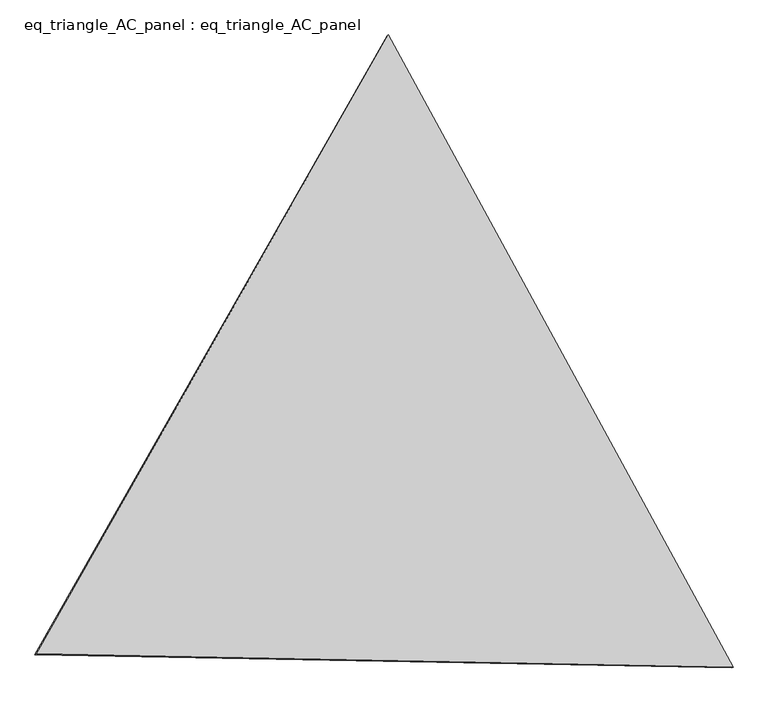
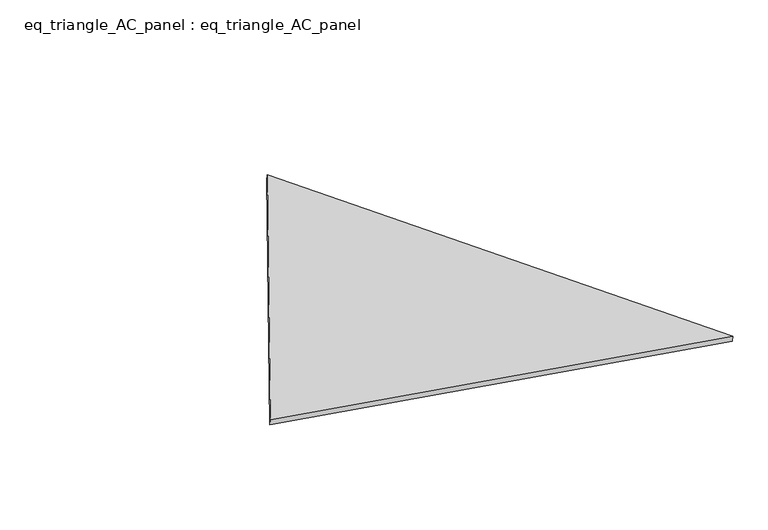
"""IFC4 building model written with IfcOpenShell, lengths in millimetres: proxy geometry, eq_triangle_AC_panel : eq_triangle_AC_panel."""

from ifc_helpers import new_model, si_unit, frame, origin, place, context, project, spatial, polyline, outline, extrude, source, transform, mapped, element, save


def eq_triangle_ac_panel_eq_triangle_ac_panel_5c0a5b83(model_context):
    return source(origin(), model_context, "Body", "SweptSolid", [
        extrude(outline(polyline([(-2091.287829, 1173.1636045), (2032.849616, 1173.1636045), (58.4382129, -2346.327209), (-2091.287829, 1173.1636045)])), frame((0.0038051, 527.9290861, 89.8240019), z_axis=(0.14526328518058207, 0.08386570281802232, 0.9858321976225894), x_axis=(0.47859054312872856, -0.8780282854675358, 0.004173960551829296)), (0.0, 0.0, 1.0), 43.8306294),
    ])


if __name__ == "__main__":
    model = new_model("IFC4")
    model_context = context("Model", 3, world=origin())
    ifc_project = project(units=[si_unit("LENGTHUNIT", "METRE", prefix="MILLI")], contexts=[model_context])
    site = spatial("IfcSite", under=ifc_project)
    building = spatial("IfcBuilding", under=site)
    placement = place(None, origin())
    eq_triangle_ac_panel_eq_triangle_ac_panel_shape = eq_triangle_ac_panel_eq_triangle_ac_panel_5c0a5b83(model_context)
    element("IfcBuildingElementProxy", 1, Name="eq_triangle_AC_panel : eq_triangle_AC_panel", ObjectType="eq_triangle_AC_panel : eq_triangle_AC_panel", at=placement, inside=building, context=model_context, shape_type="MappedRepresentation", body=[
        mapped(eq_triangle_ac_panel_eq_triangle_ac_panel_shape, transform((0.0, 0.0, 0.0), x_axis=(1.0, 0.0, 0.0), y_axis=(0.0, 1.0, 0.0), z_axis=(0.0, 0.0, 1.0))),
    ])
    save(model, "model.ifc")
